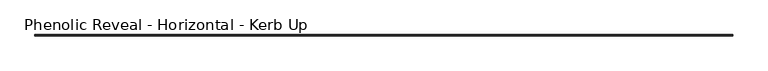
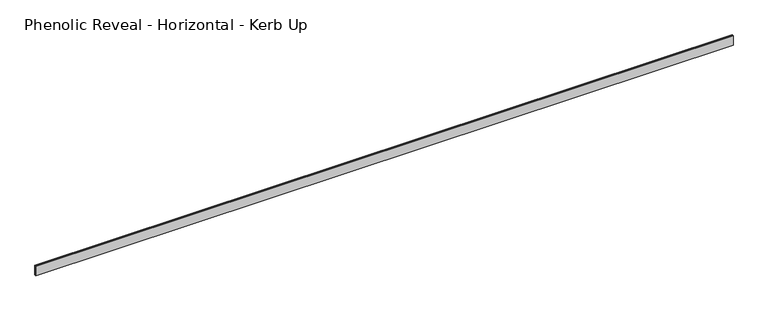
"""IFC4 building model written with IfcOpenShell, lengths in millimetres: proxy geometry, Phenolic Reveal - Horizontal - Kerb Up."""

import ifcopenshell
import ifcopenshell.guid

model = None  # the IFC model being written
_history = None  # IfcOwnerHistory: only IFC2X3 demands one
_inside = {}  # id of a spatial element -> (the spatial element, [elements in it])
_under = {}  # id of a project, library or spatial element -> (it, [spatial elements below it])
_declared = {}  # id of a project -> (the project, [libraries it declares])
_typed = {}  # id of a type object -> (the type object, [elements of that type])
_made_of = {}  # id of a material, layer set ... -> (it, [elements and type objects made of it])


def new_model(schema):
    """Start an empty IFC model of exactly this schema.

    Asked for "IFC4X3", IfcOpenShell would pick the latest addendum, in which some entities
    have other attributes; the version numbers below select the first issue.
    IFC2X3 requires an IfcOwnerHistory on every rooted entity: one is made here for all.
    """
    global model, _history
    if schema == "IFC4X3":
        model = ifcopenshell.file(schema_version=(4, 3, 0, 0))
    else:
        model = ifcopenshell.file(schema=schema)
    _inside.clear()
    _under.clear()
    _declared.clear()
    _typed.clear()
    _made_of.clear()
    _history = None
    if model.schema == "IFC2X3":
        org = make("IfcOrganization", Name="unknown")
        user = make(
            "IfcPersonAndOrganization",
            ThePerson=make("IfcPerson", FamilyName="unknown"),
            TheOrganization=org,
        )
        app = make(
            "IfcApplication",
            ApplicationDeveloper=org,
            Version="unknown",
            ApplicationFullName="unknown",
            ApplicationIdentifier="unknown",
        )
        _history = make(
            "IfcOwnerHistory",
            OwningUser=user,
            OwningApplication=app,
            ChangeAction="ADDED",
            CreationDate=0,
        )
    return model


def make(cls, **values):
    """One entity of the class cls with the attributes given. An attribute that is None is left unset."""
    return model.create_entity(
        cls, **{name: value for name, value in values.items() if value is not None}
    )


def rooted(cls, **values):
    """An entity with a GlobalId (a new one), such as an element, a storey or a relation."""
    return make(cls, GlobalId=ifcopenshell.guid.new(), OwnerHistory=_history, **values)


def si_unit(unit_type, name, prefix=None):
    """IfcSIUnit, for example si_unit("LENGTHUNIT", "METRE", prefix="MILLI")."""
    return make("IfcSIUnit", UnitType=unit_type, Prefix=prefix, Name=name)


def assignment(units):
    """IfcUnitAssignment: the units of a project."""
    return None if units is None else make("IfcUnitAssignment", Units=units)


def point(xyz):
    """IfcCartesianPoint."""
    return None if xyz is None else make("IfcCartesianPoint", Coordinates=xyz)


def direction(xyz):
    """IfcDirection."""
    return None if xyz is None else make("IfcDirection", DirectionRatios=xyz)


def frame(location, z_axis=None, x_axis=None):
    """IfcAxis2Placement3D, a coordinate frame: its origin and axes. An axis left out is left unset."""
    return make(
        "IfcAxis2Placement3D",
        Location=point(location),
        Axis=direction(z_axis),
        RefDirection=direction(x_axis),
    )


def origin():
    """The frame at (0, 0, 0) with its axes left unset."""
    return frame((0.0, 0.0, 0.0))


def place(relative_to, where):
    """IfcLocalPlacement: puts the frame where relative to a parent placement (None: the world)."""
    return make(
        "IfcLocalPlacement", PlacementRelTo=relative_to, RelativePlacement=where
    )


def context(
    kind, dimensions, precision=None, world=None, true_north=None, identifier=None
):
    """IfcGeometricRepresentationContext, for example the 3D "Model" context."""
    return make(
        "IfcGeometricRepresentationContext",
        ContextIdentifier=identifier,
        ContextType=kind,
        CoordinateSpaceDimension=dimensions,
        Precision=precision,
        WorldCoordinateSystem=world,
        TrueNorth=true_north,
    )


def project(units=None, contexts=None):
    """IfcProject with its units and contexts."""
    return rooted(
        "IfcProject",
        Name="project",
        RepresentationContexts=contexts,
        UnitsInContext=assignment(units),
    )


def spatial(cls, under=None, at=None, **own):
    """A site, building, storey or space (cls), placed at a placement, below another one or the project."""
    s = rooted(cls, ObjectPlacement=at, **own)
    if under is not None:
        _under.setdefault(under.id(), (under, []))[1].append(s)
    return s


def faces_of(points, faces, orient=None, outer=None):
    """IfcFace entities. A face is a list of loops; a loop is a list of indices into points, from 0.

    orient and outer hold one flag for each loop. By default every Orientation is true, the
    first loop of a face is its IfcFaceOuterBound and the others are IfcFaceBound.
    """
    made = []
    for i, loops in enumerate(faces):
        bounds = []
        for j, loop in enumerate(loops):
            is_outer = j == 0 if outer is None else outer[i][j]
            bounds.append(
                make(
                    "IfcFaceOuterBound" if is_outer else "IfcFaceBound",
                    Bound=make("IfcPolyLoop", Polygon=[points[k] for k in loop]),
                    Orientation=True if orient is None else orient[i][j],
                )
            )
        made.append(make("IfcFace", Bounds=bounds))
    return made


def faceted_brep(points, faces, orient=None, outer=None, voids=None):
    """IfcFacetedBrep: a solid bounded by flat faces; with voids (closed shells), ...WithVoids."""
    shared = [point(p) for p in points]
    hull = make("IfcClosedShell", CfsFaces=faces_of(shared, faces, orient, outer))
    if voids is None:
        return make("IfcFacetedBrep", Outer=hull)
    return make(
        "IfcFacetedBrepWithVoids",
        Outer=hull,
        Voids=[
            make(cls, CfsFaces=faces_of(shared, fs, o, b)) for cls, fs, o, b in voids
        ],
    )


def shape(context_of_items, identifier, shape_type, items):
    """IfcShapeRepresentation: the items that make up one representation, for example the "Body"."""
    return make(
        "IfcShapeRepresentation",
        ContextOfItems=context_of_items,
        RepresentationIdentifier=identifier,
        RepresentationType=shape_type,
        Items=items,
    )


def source(mapping_origin, context_of_items, identifier, shape_type, items):
    """IfcRepresentationMap: a shape defined once, which mapped items show again and again."""
    return make(
        "IfcRepresentationMap",
        MappingOrigin=mapping_origin,
        MappedRepresentation=shape(context_of_items, identifier, shape_type, items),
    )


def transform(
    local_origin,
    x_axis=None,
    y_axis=None,
    z_axis=None,
    scale=None,
    scale2=None,
    scale3=None,
    uniform=True,
):
    """IfcCartesianTransformationOperator3D, or its non-uniform kind. x_axis, y_axis, z_axis: its Axis1, 2, 3."""
    if uniform:
        return make(
            "IfcCartesianTransformationOperator3D",
            Axis1=direction(x_axis),
            Axis2=direction(y_axis),
            LocalOrigin=point(local_origin),
            Scale=scale,
            Axis3=direction(z_axis),
        )
    return make(
        "IfcCartesianTransformationOperator3DnonUniform",
        Axis1=direction(x_axis),
        Axis2=direction(y_axis),
        LocalOrigin=point(local_origin),
        Scale=scale,
        Axis3=direction(z_axis),
        Scale2=scale2,
        Scale3=scale3,
    )


def mapped(mapping_source, mapping_target):
    """IfcMappedItem: shows the shape of a source again, moved by a transform."""
    return make(
        "IfcMappedItem", MappingSource=mapping_source, MappingTarget=mapping_target
    )


def made_of(thing, what):
    """Note that an element or type object is made of a material, layer set ...; save() writes the relation."""
    if what is not None:
        _made_of.setdefault(what.id(), (what, []))[1].append(thing)
    return thing


def element(
    cls,
    number,
    at=None,
    inside=None,
    cuts=None,
    type_object=None,
    material=None,
    context=None,
    identifier="Body",
    shape_type=None,
    held_by="IfcProductDefinitionShape",
    body=None,
    shapes=None,
    **own,
):
    """One element of the class cls, such as IfcWall. Its Tag is "e" and its number.

    at: its placement. inside: the storey or other place that contains it. cuts: it is an
    opening in that element (IfcRelVoidsElement). A single representation is given by context,
    identifier, shape_type and body (its items); several are given by shapes. held_by: the class
    of the entity that holds the representations. save() writes the other relations.
    """
    e = rooted(cls, Tag="e%d" % number, ObjectPlacement=at, **own)
    if body is not None:
        shapes = [shape(context, identifier, shape_type, body)]
    if shapes is not None:
        e.Representation = make(held_by, Representations=shapes)
    if inside is not None:
        _inside.setdefault(inside.id(), (inside, []))[1].append(e)
    if cuts is not None:
        rooted(
            "IfcRelVoidsElement", RelatingBuildingElement=cuts, RelatedOpeningElement=e
        )
    if type_object is not None:
        _typed.setdefault(type_object.id(), (type_object, []))[1].append(e)
    return made_of(e, material)


def aggregate(whole, parts):
    """IfcRelAggregates: a whole, such as a stair, and the parts it consists of."""
    return rooted("IfcRelAggregates", RelatingObject=whole, RelatedObjects=parts)


def save(model, path):
    """Write the relations noted so far, then the file.

    IfcRelAggregates (storeys below a building ...), IfcRelContainedInSpatialStructure (elements
    in a storey), IfcRelDefinesByType, IfcRelAssociatesMaterial and IfcRelDeclares: one each for
    every whole, place, type object, material and project.
    """
    for whole, parts in _under.values():
        aggregate(whole, parts)
    for where, things in _inside.values():
        rooted(
            "IfcRelContainedInSpatialStructure",
            RelatedElements=things,
            RelatingStructure=where,
        )
    for kind, things in _typed.values():
        rooted("IfcRelDefinesByType", RelatedObjects=things, RelatingType=kind)
    for what, things in _made_of.values():
        rooted("IfcRelAssociatesMaterial", RelatedObjects=things, RelatingMaterial=what)
    for by, libraries in _declared.values():
        rooted("IfcRelDeclares", RelatingContext=by, RelatedDefinitions=libraries)
    model.write(path)


def phenolic_reveal_horizontal_kerb_up_e30b5c92(model_context):
    return source(origin(), model_context, "Body", "Brep", [
        faceted_brep([(5255.6171875, 9.525, 0.0), (5255.6171875, 9.525, 76.2), (5255.6171875, 6.0765851, 76.2), (5255.6171875, 6.0765851, 0.0), (5255.6171875, 3.3757545, 0.0), (5255.6171875, 3.3757545, 76.2), (5255.6171875, 0.0, 76.2), (5255.6171875, 0.0, 0.0), (0.0, 0.0, 0.0), (0.0, 0.0, 76.2), (0.0, 3.3757545, 76.2), (0.0, 3.3757545, 0.0), (0.0, 6.0765851, 0.0), (0.0, 6.0765851, 76.2), (0.0, 9.525, 76.2), (0.0, 9.525, 0.0), (5244.5046875, 6.0765851, 0.0), (5244.5046875, 3.3757545, 0.0), (11.1125, 3.3757545, 0.0), (11.1125, 6.0765851, 0.0), (5244.5046875, 6.0765851, 65.0875), (5244.5046875, 3.3757545, 65.0875), (11.1125, 6.0765851, 65.0875), (11.1125, 3.3757545, 65.0875)], [[[0, 1, 2, 3]], [[4, 5, 6, 7]], [[8, 9, 10, 11]], [[12, 13, 14, 15]], [[1, 0, 15, 14]], [[6, 5, 10, 9]], [[7, 6, 9, 8]], [[15, 0, 3, 16, 17, 4, 7, 8, 11, 18, 19, 12]], [[16, 20, 21, 17]], [[22, 19, 18, 23]], [[13, 2, 1, 14]], [[12, 19, 22, 20, 16, 3, 2, 13]], [[20, 22, 23, 21]], [[4, 17, 21, 23, 18, 11, 10, 5]]]),
    ])


if __name__ == "__main__":
    model = new_model("IFC4")
    model_context = context("Model", 3, world=origin())
    ifc_project = project(units=[si_unit("LENGTHUNIT", "METRE", prefix="MILLI")], contexts=[model_context])
    site = spatial("IfcSite", under=ifc_project)
    building = spatial("IfcBuilding", under=site)
    placement = place(None, origin())
    phenolic_reveal_horizontal_kerb_up_shape = phenolic_reveal_horizontal_kerb_up_e30b5c92(model_context)
    element("IfcBuildingElementProxy", 1, Name="Phenolic Reveal - Horizontal - Kerb Up", ObjectType="Phenolic Reveal - Horizontal - Kerb Up", at=placement, inside=building, context=model_context, shape_type="MappedRepresentation", body=[
        mapped(phenolic_reveal_horizontal_kerb_up_shape, transform((0.0, 0.0, 0.0), x_axis=(1.0, 0.0, 0.0), y_axis=(0.0, 1.0, 0.0), z_axis=(0.0, 0.0, 1.0))),
    ])
    save(model, "model.ifc")
